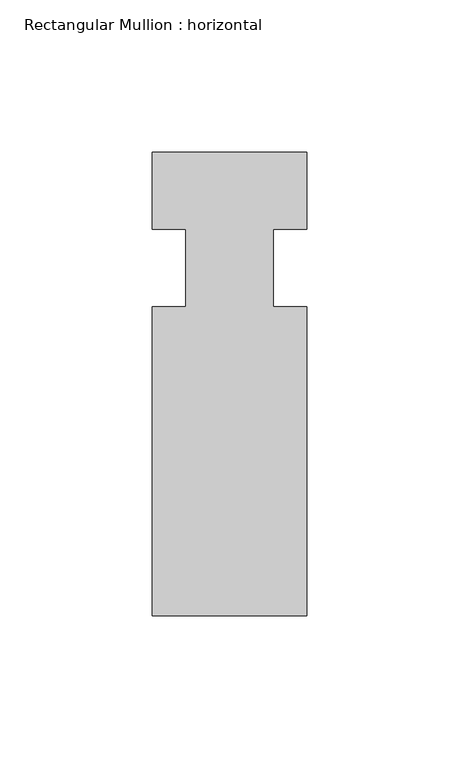
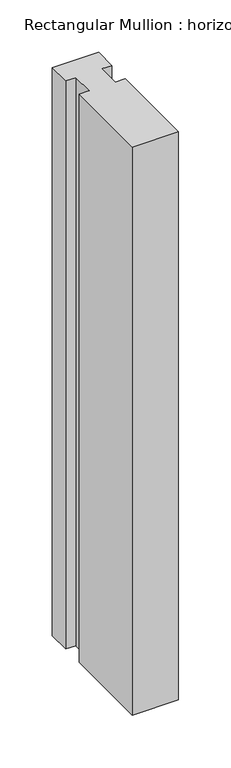
"""IFC4 building model written with IfcOpenShell, lengths in millimetres: member geometry, Rectangular Mullion : horizontal."""

from ifc_helpers import new_model, si_unit, frame, origin, place, context, project, spatial, polyline, outline, extrude, source, transform, mapped, element, save


def rectangular_mullion_horizontal_3524a86a(model_context):
    return source(origin(), model_context, "Body", "SweptSolid", [
        extrude(outline(polyline([(-25.4, 6.35), (25.4, 6.35), (25.4, -19.05), (14.398625, -19.05), (14.398625, -44.45), (25.4, -44.45), (25.4, -146.05), (-25.4, -146.05), (-25.4, -44.45), (-14.398625, -44.45), (-14.398625, -19.05), (-25.4, -19.05), (-25.4, 6.35)])), frame((0.0, 0.0, -661.9873099), z_axis=(0.0, 0.0, 1.0), x_axis=(1.0, 0.0, 0.0)), (0.0, 0.0, 1.0), 661.9873099),
    ])


if __name__ == "__main__":
    model = new_model("IFC4")
    model_context = context("Model", 3, world=origin())
    ifc_project = project(units=[si_unit("LENGTHUNIT", "METRE", prefix="MILLI")], contexts=[model_context])
    site = spatial("IfcSite", under=ifc_project)
    building = spatial("IfcBuilding", under=site)
    placement = place(None, origin())
    rectangular_mullion_horizontal_shape = rectangular_mullion_horizontal_3524a86a(model_context)
    element("IfcMember", 1, ObjectType="Rectangular Mullion : horizontal", at=placement, inside=building, context=model_context, shape_type="MappedRepresentation", body=[
        mapped(rectangular_mullion_horizontal_shape, transform((0.0, 0.0, 0.0), x_axis=(1.0, 0.0, 0.0), y_axis=(0.0, 1.0, 0.0), z_axis=(0.0, 0.0, 1.0))),
    ])
    save(model, "model.ifc")
